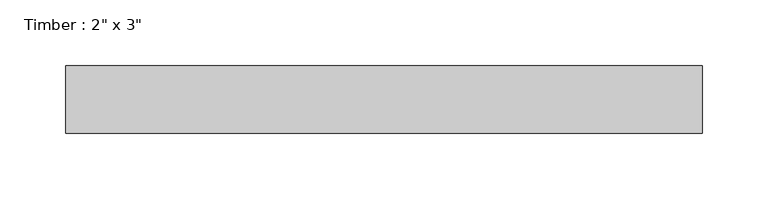
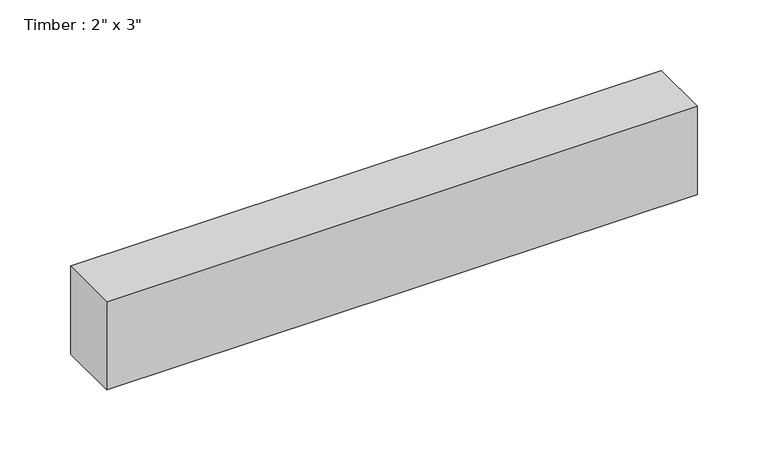
"""IFC4 building model written with IfcOpenShell, lengths in millimetres: beam geometry."""

from ifc_helpers import new_model, si_unit, frame, origin, place, context, project, spatial, polyline, outline, extrude, source, transform, mapped, element, save


def beam_49aef0a2(model_context):
    return source(origin(), model_context, "Body", "SweptSolid", [
        extrude(outline(polyline([(241.0230229, -25.4), (-241.0230229, -25.4), (-241.0230229, 25.4), (241.0230229, 25.4), (241.0230229, -25.4)])), frame((0.0, 0.0, -38.1), z_axis=(0.0, 0.0, 1.0), x_axis=(1.0, 0.0, 0.0)), (0.0, 0.0, 1.0), 76.2),
    ])


if __name__ == "__main__":
    model = new_model("IFC4")
    model_context = context("Model", 3, world=origin())
    ifc_project = project(units=[si_unit("LENGTHUNIT", "METRE", prefix="MILLI")], contexts=[model_context])
    site = spatial("IfcSite", under=ifc_project)
    building = spatial("IfcBuilding", under=site)
    placement = place(None, origin())
    beam_shape = beam_49aef0a2(model_context)
    element("IfcBeam", 1, ObjectType="Timber : 2\" x 3\"", at=placement, inside=building, context=model_context, shape_type="MappedRepresentation", body=[
        mapped(beam_shape, transform((0.0, 0.0, 0.0), x_axis=(1.0, 0.0, 0.0), y_axis=(0.0, 1.0, 0.0), z_axis=(0.0, 0.0, 1.0))),
    ])
    save(model, "model.ifc")
